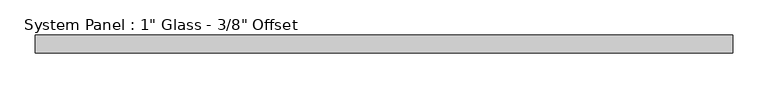
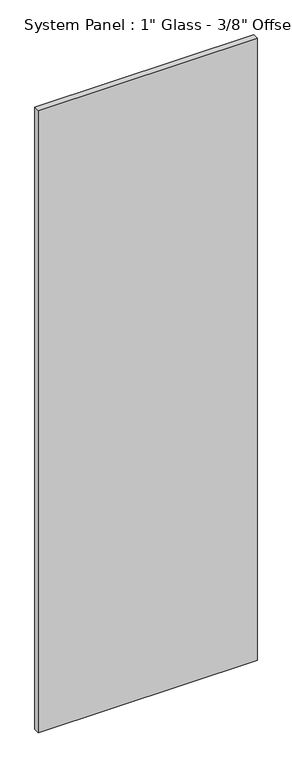
"""IFC4 building model written with IfcOpenShell, lengths in millimetres: plate geometry."""

from ifc_helpers import new_model, si_unit, origin, origin_with_axes, place, context, project, spatial, polyline, outline, extrude, source, transform, mapped, element, save


def plate_42c77d9b(model_context):
    return source(origin(), model_context, "Body", "SweptSolid", [
        extrude(outline(polyline([(492.125, -3.175), (-492.125, -3.175), (-492.125, 22.225), (492.125, 22.225), (492.125, -3.175)])), origin_with_axes(), (0.0, 0.0, 1.0), 2959.1),
    ])


if __name__ == "__main__":
    model = new_model("IFC4")
    model_context = context("Model", 3, world=origin())
    ifc_project = project(units=[si_unit("LENGTHUNIT", "METRE", prefix="MILLI")], contexts=[model_context])
    site = spatial("IfcSite", under=ifc_project)
    building = spatial("IfcBuilding", under=site)
    placement = place(None, origin())
    plate_shape = plate_42c77d9b(model_context)
    element("IfcPlate", 1, ObjectType="System Panel : 1\" Glass - 3/8\" Offset", at=placement, inside=building, context=model_context, shape_type="MappedRepresentation", body=[
        mapped(plate_shape, transform((0.0, 0.0, 0.0), x_axis=(1.0, 0.0, 0.0), y_axis=(0.0, 1.0, 0.0), z_axis=(0.0, 0.0, 1.0))),
    ])
    save(model, "model.ifc")
